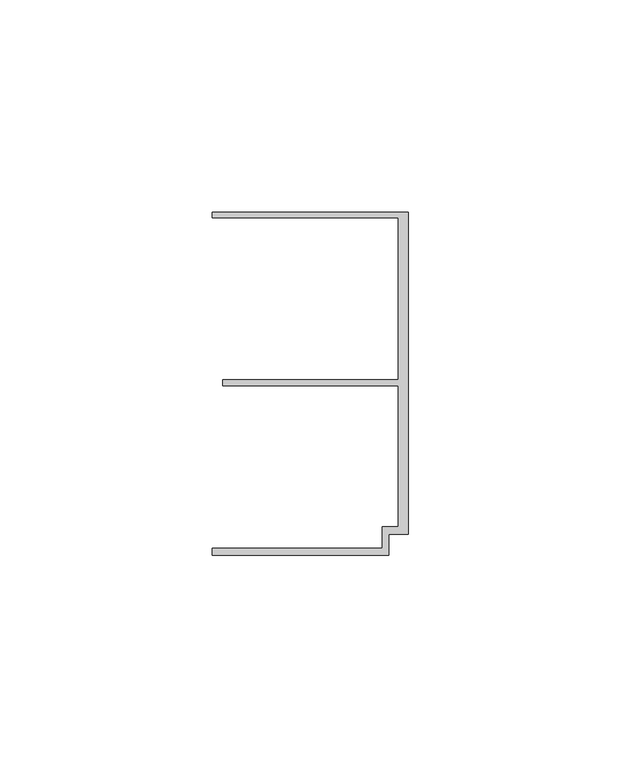
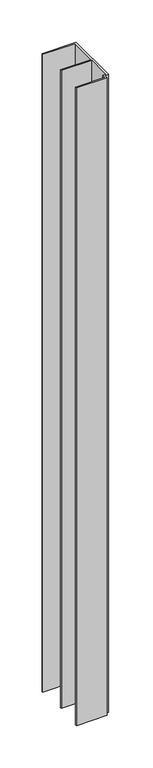
"""IFC4 building model written with IfcOpenShell, lengths in millimetres: member geometry."""

from ifc_helpers import new_model, si_unit, frame, origin, place, context, project, spatial, polyline, outline, extrude, source, transform, mapped, element, save


def member_1fd93a74(model_context):
    return source(origin(), model_context, "Body", "SweptSolid", [
        extrude(outline(polyline([(-6.2, -33.95), (-2.4, -33.95), (-2.4, -0.75), (-43.8, -0.75), (-43.8, 0.75), (-2.4, 0.75), (-2.4, 38.95), (-46.3, 38.95), (-46.3, 40.25), (0.0, 40.25), (0.0, -35.75), (-4.6999992, -35.75), (-4.6999992, -40.65), (-46.3, -40.65), (-46.3, -38.95), (-6.2, -38.95), (-6.2, -33.95)])), frame((0.0, 0.0, -918.5189167), z_axis=(0.0, 0.0, 1.0), x_axis=(1.0, 0.0, 0.0)), (0.0, 0.0, 1.0), 918.5189167),
    ])


if __name__ == "__main__":
    model = new_model("IFC4")
    model_context = context("Model", 3, world=origin())
    ifc_project = project(units=[si_unit("LENGTHUNIT", "METRE", prefix="MILLI")], contexts=[model_context])
    site = spatial("IfcSite", under=ifc_project)
    building = spatial("IfcBuilding", under=site)
    placement = place(None, origin())
    member_shape = member_1fd93a74(model_context)
    element("IfcMember", 1, at=placement, inside=building, context=model_context, shape_type="MappedRepresentation", body=[
        mapped(member_shape, transform((0.0, 0.0, 0.0), x_axis=(1.0, 0.0, 0.0), y_axis=(0.0, 1.0, 0.0), z_axis=(0.0, 0.0, 1.0))),
    ])
    save(model, "model.ifc")
